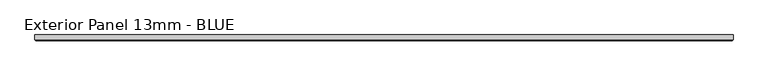
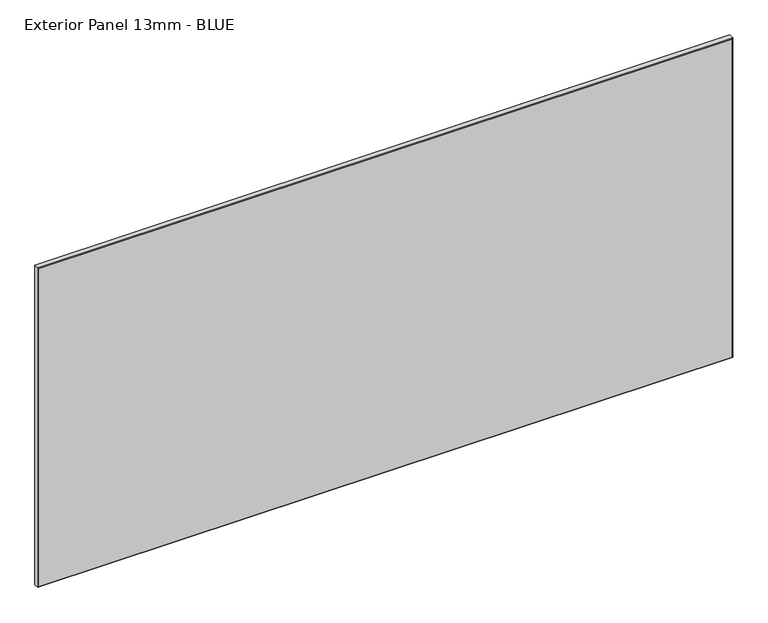
"""IFC4 building model written with IfcOpenShell, lengths in millimetres: proxy geometry, Exterior Panel 13mm - BLUE."""

from ifc_helpers import new_model, si_unit, origin, place, context, project, spatial, faceted_brep, source, transform, mapped, element, save


def exterior_panel_13mm_blue_b69365a0(model_context):
    return source(origin(), model_context, "Body", "Brep", [
        faceted_brep([(1150.9375, 6.35, 757.2375), (-406.4, 6.35, 757.2375), (-406.4, -4.7625, 757.2375), (1150.9375, -4.7625, 757.2375), (1150.9375, 6.35, 0.0), (1150.9375, -4.7625, 0.0), (-406.4, -4.7625, 0.0), (-406.4, 6.35, 0.0), (-404.8125, -6.35, 755.65), (-404.8125, -6.35, 1.5875), (1149.35, -6.35, 1.5875), (1149.35, -6.35, 755.65)], [[[0, 1, 2, 3]], [[4, 5, 6, 7]], [[1, 0, 4, 7]], [[2, 1, 7, 6]], [[8, 9, 10, 11]], [[0, 3, 5, 4]], [[2, 6, 9, 8]], [[5, 3, 11, 10]], [[3, 2, 8, 11]], [[6, 5, 10, 9]]]),
    ])


if __name__ == "__main__":
    model = new_model("IFC4")
    model_context = context("Model", 3, world=origin())
    ifc_project = project(units=[si_unit("LENGTHUNIT", "METRE", prefix="MILLI")], contexts=[model_context])
    site = spatial("IfcSite", under=ifc_project)
    building = spatial("IfcBuilding", under=site)
    placement = place(None, origin())
    exterior_panel_13mm_blue_shape = exterior_panel_13mm_blue_b69365a0(model_context)
    element("IfcBuildingElementProxy", 1, Name="Exterior Panel 13mm - BLUE", ObjectType="Exterior Panel 13mm - BLUE", at=placement, inside=building, context=model_context, shape_type="MappedRepresentation", body=[
        mapped(exterior_panel_13mm_blue_shape, transform((0.0, 0.0, 0.0), x_axis=(1.0, 0.0, 0.0), y_axis=(0.0, 1.0, 0.0), z_axis=(0.0, 0.0, 1.0))),
    ])
    save(model, "model.ifc")
